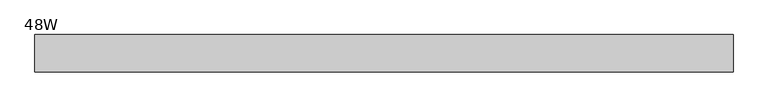
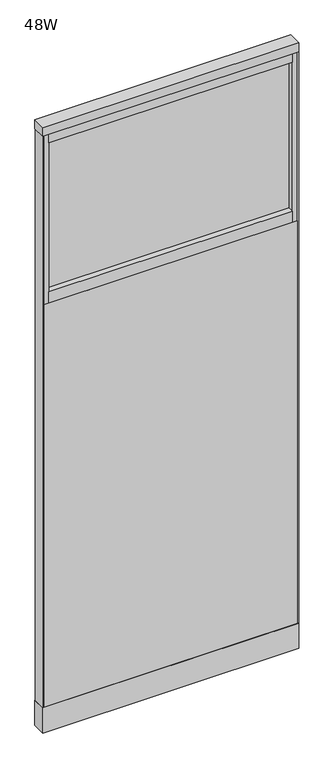
"""IFC4 building model written with IfcOpenShell, lengths in millimetres: plate geometry, 48W."""

import ifcopenshell
import ifcopenshell.guid

model = None  # the IFC model being written
_history = None  # IfcOwnerHistory: only IFC2X3 demands one
_inside = {}  # id of a spatial element -> (the spatial element, [elements in it])
_under = {}  # id of a project, library or spatial element -> (it, [spatial elements below it])
_declared = {}  # id of a project -> (the project, [libraries it declares])
_typed = {}  # id of a type object -> (the type object, [elements of that type])
_made_of = {}  # id of a material, layer set ... -> (it, [elements and type objects made of it])


def new_model(schema):
    """Start an empty IFC model of exactly this schema.

    Asked for "IFC4X3", IfcOpenShell would pick the latest addendum, in which some entities
    have other attributes; the version numbers below select the first issue.
    IFC2X3 requires an IfcOwnerHistory on every rooted entity: one is made here for all.
    """
    global model, _history
    if schema == "IFC4X3":
        model = ifcopenshell.file(schema_version=(4, 3, 0, 0))
    else:
        model = ifcopenshell.file(schema=schema)
    _inside.clear()
    _under.clear()
    _declared.clear()
    _typed.clear()
    _made_of.clear()
    _history = None
    if model.schema == "IFC2X3":
        org = make("IfcOrganization", Name="unknown")
        user = make(
            "IfcPersonAndOrganization",
            ThePerson=make("IfcPerson", FamilyName="unknown"),
            TheOrganization=org,
        )
        app = make(
            "IfcApplication",
            ApplicationDeveloper=org,
            Version="unknown",
            ApplicationFullName="unknown",
            ApplicationIdentifier="unknown",
        )
        _history = make(
            "IfcOwnerHistory",
            OwningUser=user,
            OwningApplication=app,
            ChangeAction="ADDED",
            CreationDate=0,
        )
    return model


def make(cls, **values):
    """One entity of the class cls with the attributes given. An attribute that is None is left unset."""
    return model.create_entity(
        cls, **{name: value for name, value in values.items() if value is not None}
    )


def rooted(cls, **values):
    """An entity with a GlobalId (a new one), such as an element, a storey or a relation."""
    return make(cls, GlobalId=ifcopenshell.guid.new(), OwnerHistory=_history, **values)


def si_unit(unit_type, name, prefix=None):
    """IfcSIUnit, for example si_unit("LENGTHUNIT", "METRE", prefix="MILLI")."""
    return make("IfcSIUnit", UnitType=unit_type, Prefix=prefix, Name=name)


def assignment(units):
    """IfcUnitAssignment: the units of a project."""
    return None if units is None else make("IfcUnitAssignment", Units=units)


def point(xyz):
    """IfcCartesianPoint."""
    return None if xyz is None else make("IfcCartesianPoint", Coordinates=xyz)


def direction(xyz):
    """IfcDirection."""
    return None if xyz is None else make("IfcDirection", DirectionRatios=xyz)


def frame(location, z_axis=None, x_axis=None):
    """IfcAxis2Placement3D, a coordinate frame: its origin and axes. An axis left out is left unset."""
    return make(
        "IfcAxis2Placement3D",
        Location=point(location),
        Axis=direction(z_axis),
        RefDirection=direction(x_axis),
    )


def origin():
    """The frame at (0, 0, 0) with its axes left unset."""
    return frame((0.0, 0.0, 0.0))


def origin_with_axes():
    """The frame at (0, 0, 0) with the z axis (0, 0, 1) and the x axis (1, 0, 0) written out."""
    return frame((0.0, 0.0, 0.0), z_axis=(0.0, 0.0, 1.0), x_axis=(1.0, 0.0, 0.0))


def place(relative_to, where):
    """IfcLocalPlacement: puts the frame where relative to a parent placement (None: the world)."""
    return make(
        "IfcLocalPlacement", PlacementRelTo=relative_to, RelativePlacement=where
    )


def context(
    kind, dimensions, precision=None, world=None, true_north=None, identifier=None
):
    """IfcGeometricRepresentationContext, for example the 3D "Model" context."""
    return make(
        "IfcGeometricRepresentationContext",
        ContextIdentifier=identifier,
        ContextType=kind,
        CoordinateSpaceDimension=dimensions,
        Precision=precision,
        WorldCoordinateSystem=world,
        TrueNorth=true_north,
    )


def project(units=None, contexts=None):
    """IfcProject with its units and contexts."""
    return rooted(
        "IfcProject",
        Name="project",
        RepresentationContexts=contexts,
        UnitsInContext=assignment(units),
    )


def spatial(cls, under=None, at=None, **own):
    """A site, building, storey or space (cls), placed at a placement, below another one or the project."""
    s = rooted(cls, ObjectPlacement=at, **own)
    if under is not None:
        _under.setdefault(under.id(), (under, []))[1].append(s)
    return s


def polyline(points):
    """IfcPolyline through the points."""
    return make("IfcPolyline", Points=[point(p) for p in points])


def outline(outer, holes=None, kind="AREA"):
    """IfcArbitraryClosedProfileDef: a profile drawn as a closed curve; with holes, ...WithVoids."""
    if holes is None:
        return make("IfcArbitraryClosedProfileDef", ProfileType=kind, OuterCurve=outer)
    return make(
        "IfcArbitraryProfileDefWithVoids",
        ProfileType=kind,
        OuterCurve=outer,
        InnerCurves=holes,
    )


def extrude(swept, where, along, depth):
    """IfcExtrudedAreaSolid: the profile swept, set in the frame where, extruded along a direction by depth."""
    return make(
        "IfcExtrudedAreaSolid",
        SweptArea=swept,
        Position=where,
        ExtrudedDirection=direction(along),
        Depth=depth,
    )


def shape(context_of_items, identifier, shape_type, items):
    """IfcShapeRepresentation: the items that make up one representation, for example the "Body"."""
    return make(
        "IfcShapeRepresentation",
        ContextOfItems=context_of_items,
        RepresentationIdentifier=identifier,
        RepresentationType=shape_type,
        Items=items,
    )


def source(mapping_origin, context_of_items, identifier, shape_type, items):
    """IfcRepresentationMap: a shape defined once, which mapped items show again and again."""
    return make(
        "IfcRepresentationMap",
        MappingOrigin=mapping_origin,
        MappedRepresentation=shape(context_of_items, identifier, shape_type, items),
    )


def transform(
    local_origin,
    x_axis=None,
    y_axis=None,
    z_axis=None,
    scale=None,
    scale2=None,
    scale3=None,
    uniform=True,
):
    """IfcCartesianTransformationOperator3D, or its non-uniform kind. x_axis, y_axis, z_axis: its Axis1, 2, 3."""
    if uniform:
        return make(
            "IfcCartesianTransformationOperator3D",
            Axis1=direction(x_axis),
            Axis2=direction(y_axis),
            LocalOrigin=point(local_origin),
            Scale=scale,
            Axis3=direction(z_axis),
        )
    return make(
        "IfcCartesianTransformationOperator3DnonUniform",
        Axis1=direction(x_axis),
        Axis2=direction(y_axis),
        LocalOrigin=point(local_origin),
        Scale=scale,
        Axis3=direction(z_axis),
        Scale2=scale2,
        Scale3=scale3,
    )


def mapped(mapping_source, mapping_target):
    """IfcMappedItem: shows the shape of a source again, moved by a transform."""
    return make(
        "IfcMappedItem", MappingSource=mapping_source, MappingTarget=mapping_target
    )


def made_of(thing, what):
    """Note that an element or type object is made of a material, layer set ...; save() writes the relation."""
    if what is not None:
        _made_of.setdefault(what.id(), (what, []))[1].append(thing)
    return thing


def element(
    cls,
    number,
    at=None,
    inside=None,
    cuts=None,
    type_object=None,
    material=None,
    context=None,
    identifier="Body",
    shape_type=None,
    held_by="IfcProductDefinitionShape",
    body=None,
    shapes=None,
    **own,
):
    """One element of the class cls, such as IfcWall. Its Tag is "e" and its number.

    at: its placement. inside: the storey or other place that contains it. cuts: it is an
    opening in that element (IfcRelVoidsElement). A single representation is given by context,
    identifier, shape_type and body (its items); several are given by shapes. held_by: the class
    of the entity that holds the representations. save() writes the other relations.
    """
    e = rooted(cls, Tag="e%d" % number, ObjectPlacement=at, **own)
    if body is not None:
        shapes = [shape(context, identifier, shape_type, body)]
    if shapes is not None:
        e.Representation = make(held_by, Representations=shapes)
    if inside is not None:
        _inside.setdefault(inside.id(), (inside, []))[1].append(e)
    if cuts is not None:
        rooted(
            "IfcRelVoidsElement", RelatingBuildingElement=cuts, RelatedOpeningElement=e
        )
    if type_object is not None:
        _typed.setdefault(type_object.id(), (type_object, []))[1].append(e)
    return made_of(e, material)


def aggregate(whole, parts):
    """IfcRelAggregates: a whole, such as a stair, and the parts it consists of."""
    return rooted("IfcRelAggregates", RelatingObject=whole, RelatedObjects=parts)


def save(model, path):
    """Write the relations noted so far, then the file.

    IfcRelAggregates (storeys below a building ...), IfcRelContainedInSpatialStructure (elements
    in a storey), IfcRelDefinesByType, IfcRelAssociatesMaterial and IfcRelDeclares: one each for
    every whole, place, type object, material and project.
    """
    for whole, parts in _under.values():
        aggregate(whole, parts)
    for where, things in _inside.values():
        rooted(
            "IfcRelContainedInSpatialStructure",
            RelatedElements=things,
            RelatingStructure=where,
        )
    for kind, things in _typed.values():
        rooted("IfcRelDefinesByType", RelatedObjects=things, RelatingType=kind)
    for what, things in _made_of.values():
        rooted("IfcRelAssociatesMaterial", RelatedObjects=things, RelatingMaterial=what)
    for by, libraries in _declared.values():
        rooted("IfcRelDeclares", RelatingContext=by, RelatedDefinitions=libraries)
    model.write(path)


def plate_48w_300655a3(model_context):
    return source(origin(), model_context, "Body", "SweptSolid", [
        extrude(outline(polyline([(609.6, -32.4103999), (-609.6, -32.4103999), (-609.6, 32.4104002), (609.6, 32.4104002), (609.6, -32.4103999)])), frame((0.0, 0.0, 3003.5500969), z_axis=(0.0, 0.0, 1.0), x_axis=(1.0, 0.0, 0.0)), (0.0, 0.0, 1.0), 44.4499031),
        extrude(outline(polyline([(604.1389479, 0.0), (-604.1389479, 0.0), (-604.1389479, 30.3783976), (604.1389479, 30.3783976), (604.1389479, 0.0)])), frame((0.0, 0.0, 127.0000061), z_axis=(0.0, 0.0, 1.0), x_axis=(1.0, 0.0, 0.0)), (0.0, 0.0, 1.0), 2025.6500424),
        extrude(outline(polyline([(604.1389479, -30.3783976), (-604.1389479, -30.3783976), (-604.1389479, 0.0), (604.1389479, 0.0), (604.1389479, -30.3783976)])), frame((0.0, 0.0, 127.0000061), z_axis=(0.0, 0.0, 1.0), x_axis=(1.0, 0.0, 0.0)), (0.0, 0.0, 1.0), 2025.6500424),
        extrude(outline(polyline([(609.6, -30.3783976), (604.1389479, -30.3783976), (604.1389479, 30.3783976), (609.6, 30.3783976), (609.6, -30.3783976)])), frame((0.0, 0.0, 127.0000061), z_axis=(0.0, 0.0, 1.0), x_axis=(1.0, 0.0, 0.0)), (0.0, 0.0, 1.0), 2876.5500908),
        extrude(outline(polyline([(-604.1389479, -30.3783976), (-609.6, -30.3783976), (-609.6, 30.3783976), (-604.1389479, 30.3783976), (-604.1389479, -30.3783976)])), frame((0.0, 0.0, 127.0000061), z_axis=(0.0, 0.0, 1.0), x_axis=(1.0, 0.0, 0.0)), (0.0, 0.0, 1.0), 2876.5500908),
        extrude(outline(polyline([(579.221549, -2.54), (-579.221549, -2.54), (-579.221549, 2.54), (579.221549, 2.54), (579.221549, -2.54)])), frame((0.0, 0.0, 2209.7999031), z_axis=(0.0, 0.0, 1.0), x_axis=(1.0, 0.0, 0.0)), (0.0, 0.0, 1.0), 749.3),
        extrude(outline(polyline([(579.221549, -30.3783976), (-579.221549, -30.3783976), (-579.221549, 30.3783976), (579.221549, 30.3783976), (579.221549, -30.3783976)])), frame((0.0, 0.0, 2959.0999031), z_axis=(0.0, 0.0, 1.0), x_axis=(1.0, 0.0, 0.0)), (0.0, 0.0, 1.0), 44.4501938),
        extrude(outline(polyline([(579.221549, -30.3783976), (-579.221549, -30.3783976), (-579.221549, 30.3783976), (579.221549, 30.3783976), (579.221549, -30.3783976)])), frame((0.0, 0.0, 2152.6500484), z_axis=(0.0, 0.0, 1.0), x_axis=(1.0, 0.0, 0.0)), (0.0, 0.0, 1.0), 57.1498547),
        extrude(outline(polyline([(604.1389479, -30.3783976), (579.221549, -30.3783976), (579.221549, 30.3783976), (604.1389479, 30.3783976), (604.1389479, -30.3783976)])), frame((0.0, 0.0, 2152.6500484), z_axis=(0.0, 0.0, 1.0), x_axis=(1.0, 0.0, 0.0)), (0.0, 0.0, 1.0), 850.9000484),
        extrude(outline(polyline([(-579.221549, -30.3783976), (-604.1389479, -30.3783976), (-604.1389479, 30.3783976), (-579.221549, 30.3783976), (-579.221549, -30.3783976)])), frame((0.0, 0.0, 2152.6500484), z_axis=(0.0, 0.0, 1.0), x_axis=(1.0, 0.0, 0.0)), (0.0, 0.0, 1.0), 850.9000484),
        extrude(outline(polyline([(609.6, -32.4103999), (-609.6, -32.4103999), (-609.6, 32.4104002), (609.6, 32.4104002), (609.6, -32.4103999)])), origin_with_axes(), (0.0, 0.0, 1.0), 127.0000061),
    ])


if __name__ == "__main__":
    model = new_model("IFC4")
    model_context = context("Model", 3, world=origin())
    ifc_project = project(units=[si_unit("LENGTHUNIT", "METRE", prefix="MILLI")], contexts=[model_context])
    site = spatial("IfcSite", under=ifc_project)
    building = spatial("IfcBuilding", under=site)
    placement = place(None, origin())
    plate_48w_shape = plate_48w_300655a3(model_context)
    element("IfcPlate", 1, ObjectType="48W", at=placement, inside=building, context=model_context, shape_type="MappedRepresentation", body=[
        mapped(plate_48w_shape, transform((0.0, 0.0, 0.0), x_axis=(1.0, 0.0, 0.0), y_axis=(0.0, 1.0, 0.0), z_axis=(0.0, 0.0, 1.0))),
    ])
    save(model, "model.ifc")
